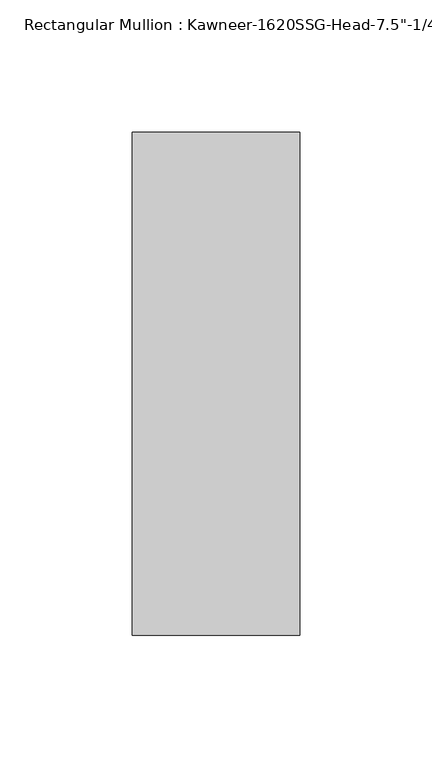
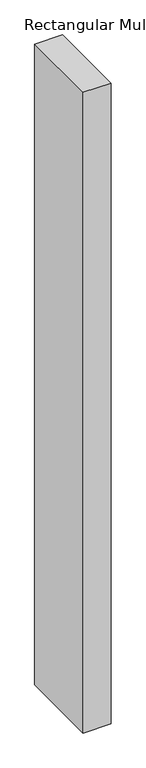
"""IFC4 building model written with IfcOpenShell, lengths in millimetres: member geometry."""

from ifc_helpers import new_model, si_unit, frame, origin, place, context, project, spatial, polyline, outline, extrude, source, transform, mapped, element, save


def member_cb96b699(model_context):
    return source(origin(), model_context, "Body", "SweptSolid", [
        extrude(outline(polyline([(-63.5, 28.575), (0.0, 28.575), (0.0, -161.925), (-63.5, -161.925), (-63.5, 28.575)])), frame((0.0, 0.0, -1536.7), z_axis=(0.0, 0.0, 1.0), x_axis=(1.0, 0.0, 0.0)), (0.0, 0.0, 1.0), 1536.7),
    ])


if __name__ == "__main__":
    model = new_model("IFC4")
    model_context = context("Model", 3, world=origin())
    ifc_project = project(units=[si_unit("LENGTHUNIT", "METRE", prefix="MILLI")], contexts=[model_context])
    site = spatial("IfcSite", under=ifc_project)
    building = spatial("IfcBuilding", under=site)
    placement = place(None, origin())
    member_shape = member_cb96b699(model_context)
    element("IfcMember", 1, ObjectType="Rectangular Mullion : Kawneer-1620SSG-Head-7.5\"-1/4\"Infill-1C", at=placement, inside=building, context=model_context, shape_type="MappedRepresentation", body=[
        mapped(member_shape, transform((0.0, 0.0, 0.0), x_axis=(1.0, 0.0, 0.0), y_axis=(0.0, 1.0, 0.0), z_axis=(0.0, 0.0, 1.0))),
    ])
    save(model, "model.ifc")
